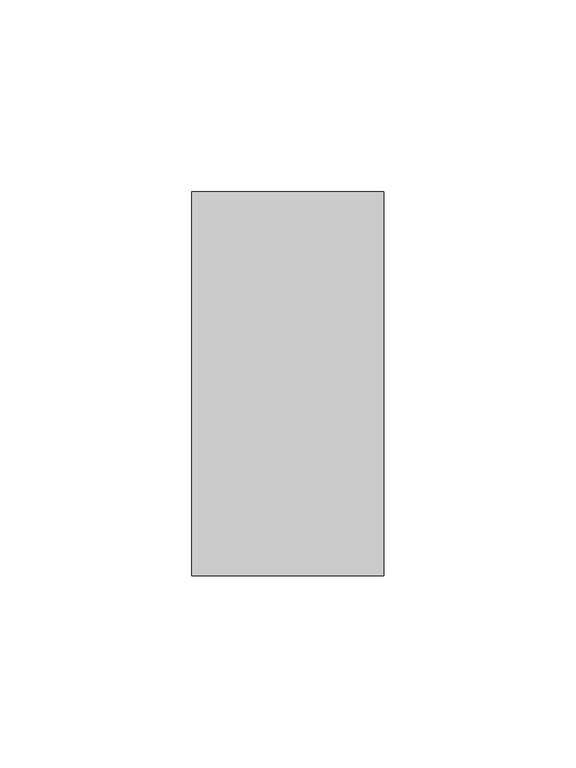
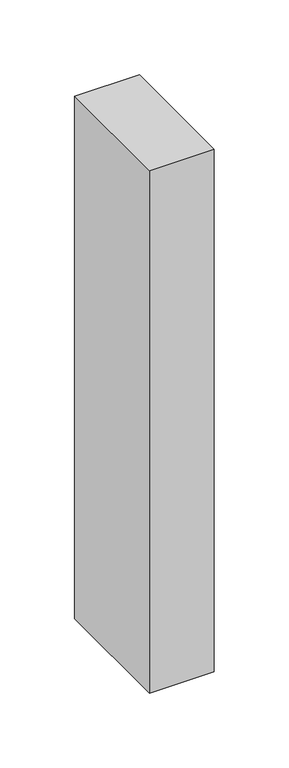
"""IFC4 building model written with IfcOpenShell, lengths in millimetres: member geometry."""

from ifc_helpers import new_model, si_unit, frame, origin, place, context, project, spatial, polyline, outline, extrude, source, transform, mapped, element, save


def member_d6461d8a(model_context):
    return source(origin(), model_context, "Body", "SweptSolid", [
        extrude(outline(polyline([(25.0, 50.0), (25.0, -50.0), (-25.0, -50.0), (-25.0, 50.0), (25.0, 50.0)])), frame((0.0, 0.0, -426.7066473), z_axis=(0.0, 0.0, 1.0), x_axis=(1.0, 0.0, 0.0)), (0.0, 0.0, 1.0), 426.7066473),
    ])


if __name__ == "__main__":
    model = new_model("IFC4")
    model_context = context("Model", 3, world=origin())
    ifc_project = project(units=[si_unit("LENGTHUNIT", "METRE", prefix="MILLI")], contexts=[model_context])
    site = spatial("IfcSite", under=ifc_project)
    building = spatial("IfcBuilding", under=site)
    placement = place(None, origin())
    member_shape = member_d6461d8a(model_context)
    element("IfcMember", 1, at=placement, inside=building, context=model_context, shape_type="MappedRepresentation", body=[
        mapped(member_shape, transform((0.0, 0.0, 0.0), x_axis=(1.0, 0.0, 0.0), y_axis=(0.0, 1.0, 0.0), z_axis=(0.0, 0.0, 1.0))),
    ])
    save(model, "model.ifc")
